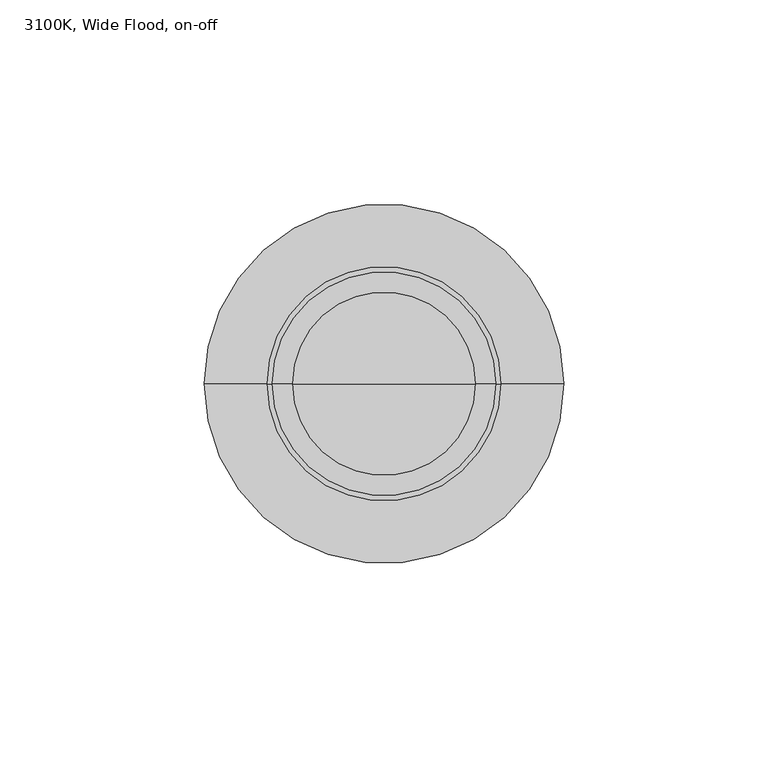
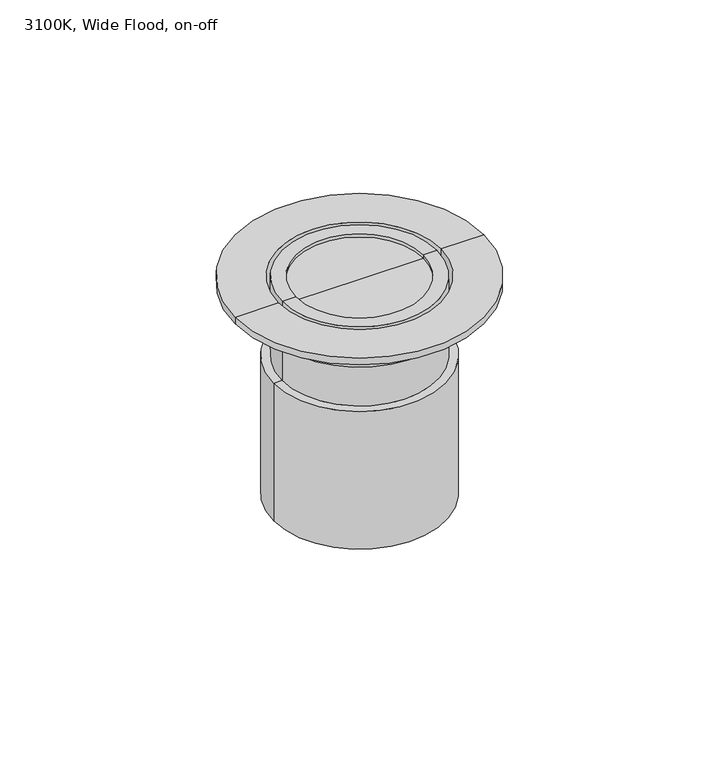
"""IFC4 building model written with IfcOpenShell, lengths in millimetres: light fixture geometry, 3100K, Wide Flood, on-off."""

from ifc_helpers import new_model, si_unit, frame, origin, place, context, project, spatial, polyline, circle_curve, source, transform, mapped, element, save
from ifc_brep_helpers import plane_surface, cylinder_surface, revolved_surface, advanced_brep


def light_fixture_3100k_wide_flood_on_off_ad3be322(model_context):
    return source(origin(), model_context, "Body", "AdvancedBrep", [
        advanced_brep(
        [(27.35, 0.0, -27.0), (-27.35, 0.0, -27.0), (-27.35, 0.0, 2.5), (27.35, 0.0, 2.5), (0.0, 0.0, -78.5), (-30.3246679, 0.0, -78.5), (30.3246679, 0.0, -78.5), (22.5, 0.0, 1.25), (-22.5, 0.0, 1.25), (0.0, 0.0, 1.25), (-22.5, 0.0, 2.5), (22.5, 0.0, 2.5), (30.3246679, 0.0, -27.0), (-30.3246679, 0.0, -27.0)],
        [
            (0, 1, circle_curve(frame((0.0, 0.0, -27.0), z_axis=(0.0, 0.0, 1.0), x_axis=(-1.0, 0.0, 0.0)), 27.35)),
            (1, 2),
            (2, 3, circle_curve(frame((0.0, 0.0, 2.5), z_axis=(0.0, 0.0, -1.0), x_axis=(-1.0, 0.0, 0.0)), 27.35)),
            (3, 0),
            (1, 0, circle_curve(frame((0.0, 0.0, -27.0), z_axis=(0.0, 0.0, 1.0), x_axis=(-1.0, 0.0, 0.0)), 27.35)),
            (3, 2, circle_curve(frame((0.0, 0.0, 2.5), z_axis=(0.0, 0.0, -1.0), x_axis=(-1.0, 0.0, 0.0)), 27.35)),
            (4, 5),
            (5, 6, circle_curve(frame((0.0, 0.0, -78.5), z_axis=(0.0, 0.0, -1.0), x_axis=(-1.0, 0.0, 0.0)), 30.3246679)),
            (6, 4),
            (6, 5, circle_curve(frame((0.0, 0.0, -78.5), z_axis=(0.0, 0.0, -1.0), x_axis=(-1.0, 0.0, 0.0)), 30.3246679)),
            (7, 8, circle_curve(frame((0.0, 0.0, 1.25), z_axis=(0.0, 0.0, 1.0), x_axis=(-1.0, 0.0, 0.0)), 22.5)),
            (8, 9),
            (9, 7),
            (8, 7, circle_curve(frame((0.0, 0.0, 1.25), z_axis=(0.0, 0.0, 1.0), x_axis=(-1.0, 0.0, 0.0)), 22.5)),
            (2, 10),
            (10, 11, circle_curve(frame((0.0, 0.0, 2.5), z_axis=(0.0, 0.0, -1.0), x_axis=(-1.0, 0.0, 0.0)), 22.5)),
            (11, 3),
            (11, 10, circle_curve(frame((0.0, 0.0, 2.5), z_axis=(0.0, 0.0, -1.0), x_axis=(-1.0, 0.0, 0.0)), 22.5)),
            (12, 13, circle_curve(frame((0.0, 0.0, -27.0), z_axis=(0.0, 0.0, 1.0), x_axis=(-1.0, 0.0, 0.0)), 30.3246679)),
            (13, 1),
            (0, 12),
            (13, 12, circle_curve(frame((0.0, 0.0, -27.0), z_axis=(0.0, 0.0, 1.0), x_axis=(-1.0, 0.0, 0.0)), 30.3246679)),
            (5, 13),
            (12, 6),
            (10, 8),
            (7, 11),
        ],
        [
            cylinder_surface(frame((0.0, 0.0, 1.25), z_axis=(0.0, 0.0, -1.0), x_axis=(-1.0, 0.0, 0.0)), 27.35),
            plane_surface(frame((0.0, 0.0, -78.5), z_axis=(0.0, 0.0, -1.0), x_axis=(-1.0, 0.0, 0.0))),
            plane_surface(frame((0.0, 0.0, 1.25), z_axis=(0.0, 0.0, 1.0), x_axis=(-1.0, 0.0, 0.0))),
            plane_surface(frame((0.0, 0.0, 2.5), z_axis=(0.0, 0.0, 1.0), x_axis=(-1.0, 0.0, 0.0))),
            plane_surface(frame((0.0, 0.0, -27.0), z_axis=(0.0, 0.0, 1.0), x_axis=(-1.0, 0.0, 0.0))),
            cylinder_surface(frame((0.0, 0.0, 1.25), z_axis=(0.0, 0.0, -1.0), x_axis=(-1.0, 0.0, 0.0)), 30.3246679),
            revolved_surface(polyline([(-22.5, 0.0, 1.25), (-22.5, 0.0, 2.5)]), (0.0, 0.0, 1.25), (0.0, 0.0, -1.0)),
        ],
        [
            (0, [[1, 2, 3, 4]]),
            (0, [[5, -4, 6, -2]]),
            (1, [[7, 8, 9]]),
            (1, [[-9, 10, -7]]),
            (2, [[11, 12, 13]]),
            (2, [[14, -13, -12]]),
            (3, [[-3, 15, 16, 17]]),
            (3, [[-6, -17, 18, -15]]),
            (4, [[19, 20, -1, 21]]),
            (4, [[22, -21, -5, -20]]),
            (5, [[-8, 23, -19, 24]]),
            (5, [[-10, -24, -22, -23]]),
            (6, [[-16, 25, -11, 26]]),
            (6, [[-18, -26, -14, -25]]),
        ],
    ),
        advanced_brep(
        [(30.3246679, 0.0, 0.0), (-30.3246679, 0.0, 0.0), (-44.0002653, 0.0, 0.0), (44.0002653, 0.0, 0.0), (30.3246679, 0.0, -10.5), (-30.3246679, 0.0, -10.5), (28.6923335, 0.0, -10.5), (-28.6923335, 0.0, -10.5), (28.6923335, 0.0, 2.5), (-28.6923335, 0.0, 2.5), (44.0002653, 0.0, 2.5), (-44.0002653, 0.0, 2.5)],
        [
            (0, 1, circle_curve(frame((0.0, 0.0, 0.0), z_axis=(0.0, 0.0, 1.0), x_axis=(-1.0, 0.0, 0.0)), 30.3246679)),
            (1, 2),
            (2, 3, circle_curve(frame((0.0, 0.0, 0.0), z_axis=(0.0, 0.0, -1.0), x_axis=(-1.0, 0.0, 0.0)), 44.0002653)),
            (3, 0),
            (1, 0, circle_curve(frame((0.0, 0.0, 0.0), z_axis=(0.0, 0.0, 1.0), x_axis=(-1.0, 0.0, 0.0)), 30.3246679)),
            (3, 2, circle_curve(frame((0.0, 0.0, 0.0), z_axis=(0.0, 0.0, -1.0), x_axis=(-1.0, 0.0, 0.0)), 44.0002653)),
            (4, 5, circle_curve(frame((0.0, 0.0, -10.5), z_axis=(0.0, 0.0, 1.0), x_axis=(-1.0, 0.0, 0.0)), 30.3246679)),
            (5, 1),
            (0, 4),
            (5, 4, circle_curve(frame((0.0, 0.0, -10.5), z_axis=(0.0, 0.0, 1.0), x_axis=(-1.0, 0.0, 0.0)), 30.3246679)),
            (6, 7, circle_curve(frame((0.0, 0.0, -10.5), z_axis=(0.0, 0.0, 1.0), x_axis=(-1.0, 0.0, 0.0)), 28.6923335)),
            (7, 5),
            (4, 6),
            (7, 6, circle_curve(frame((0.0, 0.0, -10.5), z_axis=(0.0, 0.0, 1.0), x_axis=(-1.0, 0.0, 0.0)), 28.6923335)),
            (8, 9, circle_curve(frame((0.0, 0.0, 2.5), z_axis=(0.0, 0.0, 1.0), x_axis=(-1.0, 0.0, 0.0)), 28.6923335)),
            (9, 7),
            (6, 8),
            (9, 8, circle_curve(frame((0.0, 0.0, 2.5), z_axis=(0.0, 0.0, 1.0), x_axis=(-1.0, 0.0, 0.0)), 28.6923335)),
            (10, 11, circle_curve(frame((0.0, 0.0, 2.5), z_axis=(0.0, 0.0, 1.0), x_axis=(-1.0, 0.0, 0.0)), 44.0002653)),
            (11, 9),
            (8, 10),
            (11, 10, circle_curve(frame((0.0, 0.0, 2.5), z_axis=(0.0, 0.0, 1.0), x_axis=(-1.0, 0.0, 0.0)), 44.0002653)),
            (2, 11),
            (10, 3),
        ],
        [
            plane_surface(frame((0.0, 0.0, 0.0), z_axis=(0.0, 0.0, -1.0), x_axis=(-1.0, 0.0, 0.0))),
            cylinder_surface(frame((0.0, 0.0, 1.25), z_axis=(0.0, 0.0, -1.0), x_axis=(-1.0, 0.0, 0.0)), 30.3246679),
            plane_surface(frame((0.0, 0.0, -10.5), z_axis=(0.0, 0.0, -1.0), x_axis=(-1.0, 0.0, 0.0))),
            revolved_surface(polyline([(-28.6923335, 0.0, -10.5), (-28.6923335, 0.0, 2.5)]), (0.0, 0.0, 1.25), (0.0, 0.0, -1.0)),
            plane_surface(frame((0.0, 0.0, 2.5), z_axis=(0.0, 0.0, 1.0), x_axis=(-1.0, 0.0, 0.0))),
            cylinder_surface(frame((0.0, 0.0, 1.25), z_axis=(0.0, 0.0, -1.0), x_axis=(-1.0, 0.0, 0.0)), 44.0002653),
        ],
        [
            (0, [[1, 2, 3, 4]]),
            (0, [[5, -4, 6, -2]]),
            (1, [[7, 8, -1, 9]]),
            (1, [[10, -9, -5, -8]]),
            (2, [[11, 12, -7, 13]]),
            (2, [[14, -13, -10, -12]]),
            (3, [[15, 16, -11, 17]]),
            (3, [[18, -17, -14, -16]]),
            (4, [[19, 20, -15, 21]]),
            (4, [[22, -21, -18, -20]]),
            (5, [[-3, 23, -19, 24]]),
            (5, [[-6, -24, -22, -23]]),
        ],
    ),
    ])


if __name__ == "__main__":
    model = new_model("IFC4")
    model_context = context("Model", 3, world=origin())
    ifc_project = project(units=[si_unit("LENGTHUNIT", "METRE", prefix="MILLI")], contexts=[model_context])
    site = spatial("IfcSite", under=ifc_project)
    building = spatial("IfcBuilding", under=site)
    placement = place(None, origin())
    light_fixture_3100k_wide_flood_on_off_shape = light_fixture_3100k_wide_flood_on_off_ad3be322(model_context)
    element("IfcLightFixture", 1, ObjectType="3100K, Wide Flood, on-off", at=placement, inside=building, context=model_context, shape_type="MappedRepresentation", body=[
        mapped(light_fixture_3100k_wide_flood_on_off_shape, transform((0.0, 0.0, 0.0), x_axis=(1.0, 0.0, 0.0), y_axis=(0.0, 1.0, 0.0), z_axis=(0.0, 0.0, 1.0))),
    ])
    save(model, "model.ifc")
